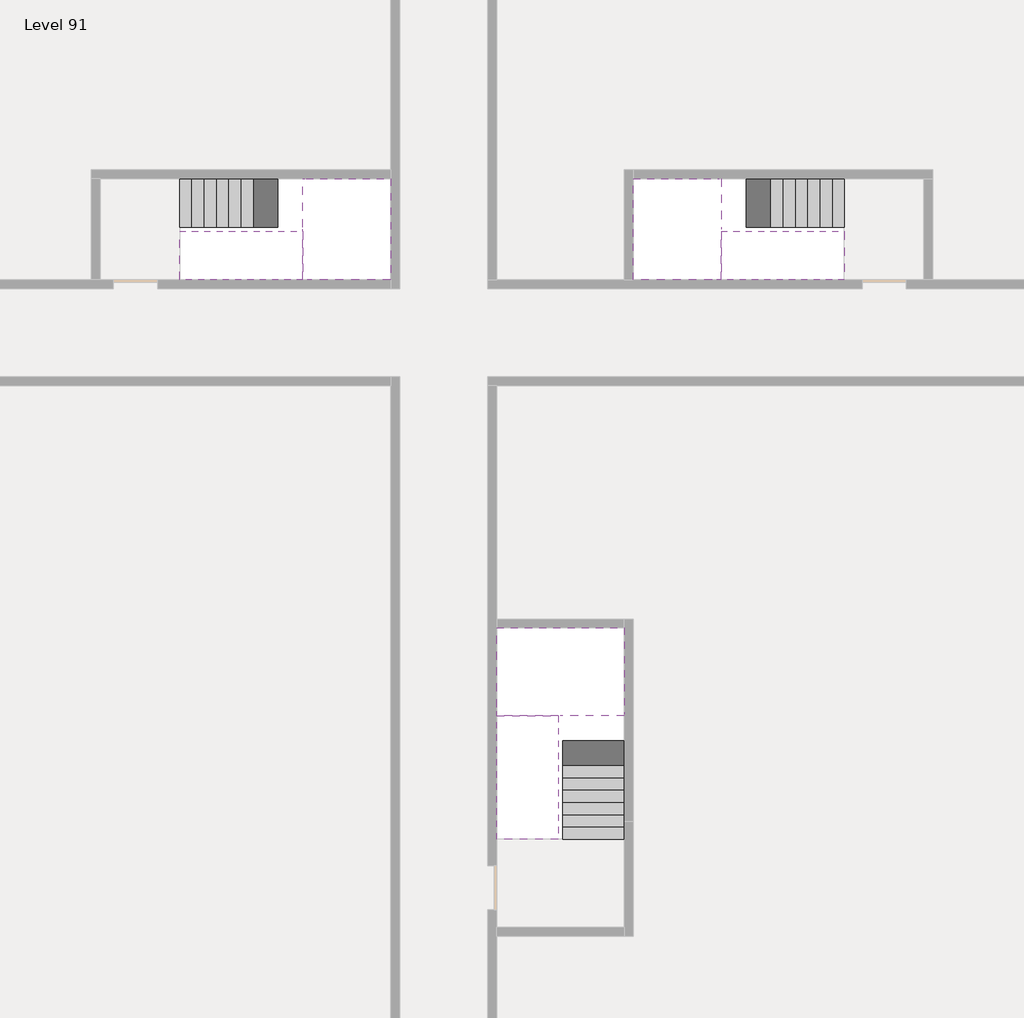
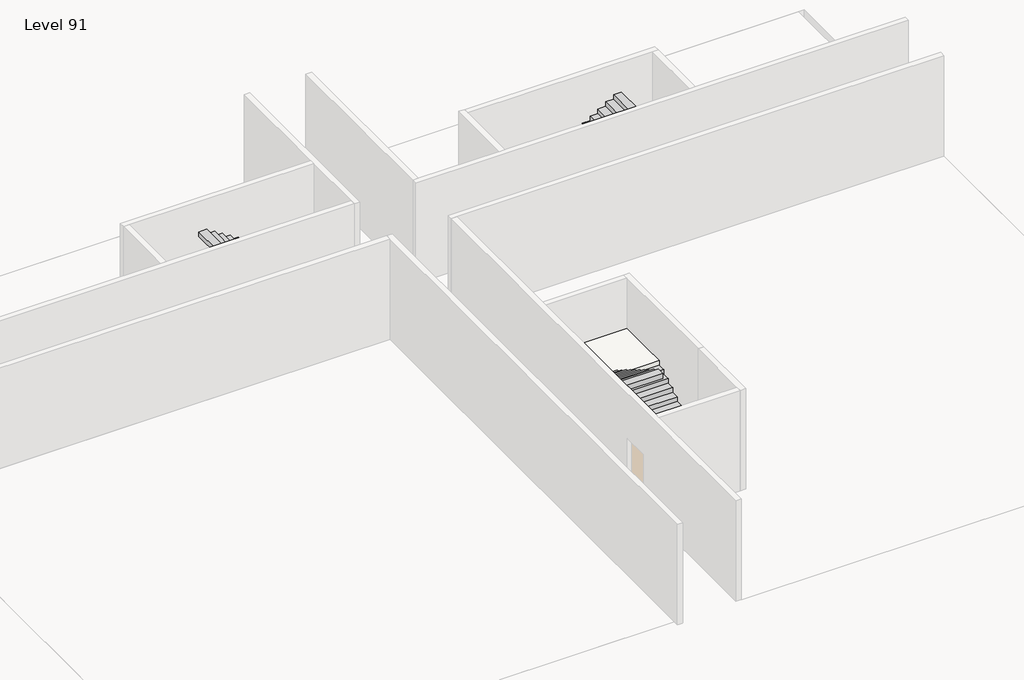
# One storey, part 2 of 2: 6 stair flights, 3 slabs.
"""IFC4 building model written with IfcOpenShell, lengths in millimetres."""

from ifc_helpers import new_model, si_unit, origin, place, context, project, spatial, faceted_brep, element, save

model = new_model("IFC4")

# Units and contexts
model_context = context("Model", 3, world=origin())
ifc_project = project(units=[si_unit("LENGTHUNIT", "METRE", prefix="MILLI")], contexts=[model_context])

# Site, building, storey
site = spatial("IfcSite", under=ifc_project)
building = spatial("IfcBuilding", under=site)
storey = spatial("IfcBuildingStorey", under=building, Name="Level 91", Elevation=342000.0)

# Slabs
placement = place(None, origin())
element("IfcSlab", 1, at=placement, inside=storey, context=model_context, shape_type="Brep", body=[
    faceted_brep([(26890.1058784, -40418.09644, 343900.0), (28290.1058784, -40418.09644, 343900.0), (28290.1058784, -40338.7100038, 343900.0), (28290.1058784, -38418.09644, 343900.0), (25390.1058784, -38418.09644, 343900.0), (25390.1058784, -40217.4828763, 343900.0), (25390.1058784, -40418.09644, 343900.0), (26790.1058784, -40418.09644, 343900.0), (26890.1058784, -40418.09644, 343600.0), (26890.1058784, -40418.09644, 343551.0278478), (28290.1058784, -40418.09644, 343551.0278478), (28290.1058784, -40418.09644, 343727.2727273), (28290.1058784, -40338.7100038, 343600.0), (28290.1058784, -38418.09644, 343600.0), (25390.1058784, -38418.09644, 343600.0), (25390.1058784, -40217.4828763, 343600.0), (25390.1058784, -40418.09644, 343723.7551205), (26790.1058784, -40418.09644, 343723.7551205), (26790.1058784, -40418.09644, 343600.0), (26790.1058784, -40217.4828763, 343600.0), (26890.1058784, -40338.7100038, 343600.0)], [[[0, 1, 2, 3, 4, 5, 6, 7]], [[1, 0, 8, 9, 10, 11]], [[1, 11, 10, 12, 13, 3, 2]], [[4, 3, 13, 14]], [[4, 14, 15, 16, 6, 5]], [[7, 6, 16, 17]], [[0, 7, 17, 18, 8]], [[18, 19, 15, 14, 13, 12, 20, 8]], [[19, 18, 17]], [[20, 12, 10, 9]], [[8, 20, 9]], [[15, 19, 17, 16]]]),
])
element("IfcSlab", 2, at=placement, inside=storey, context=model_context, shape_type="Brep", body=[
    faceted_brep([(20990.1058784, -28218.09644, 343900.0), (20990.1058784, -29318.09644, 343900.0), (20990.1058784, -29418.09644, 343900.0), (20990.1058784, -30518.09644, 343900.0), (21190.7194421, -30518.09644, 343900.0), (22990.1058784, -30518.09644, 343900.0), (22990.1058784, -28218.09644, 343900.0), (21069.4923146, -28218.09644, 343900.0), (20990.1058784, -28218.09644, 343727.2727273), (20990.1058784, -28218.09644, 343551.0278478), (20990.1058784, -29318.09644, 343551.0278478), (20990.1058784, -29318.09644, 343600.0), (20990.1058784, -29418.09644, 343600.0), (20990.1058784, -29418.09644, 343723.7551205), (20990.1058784, -30518.09644, 343723.7551205), (21190.7194421, -30518.09644, 343600.0), (22990.1058784, -30518.09644, 343600.0), (22990.1058784, -28218.09644, 343600.0), (21069.4923146, -28218.09644, 343600.0), (21190.7194421, -29418.09644, 343600.0), (21069.4923146, -29318.09644, 343600.0)], [[[0, 1, 2, 3, 4, 5, 6, 7]], [[1, 0, 8, 9, 10, 11]], [[2, 1, 11, 12, 13]], [[3, 2, 13, 14]], [[3, 14, 15, 16, 5, 4]], [[6, 5, 16, 17]], [[9, 8, 0, 7, 6, 17, 18]], [[19, 12, 11, 20, 18, 17, 16, 15]], [[12, 19, 13]], [[18, 20, 10, 9]], [[20, 11, 10]], [[19, 15, 14, 13]]]),
])
element("IfcSlab", 3, at=placement, inside=storey, context=model_context, shape_type="Brep", body=[
    faceted_brep([(30490.1058784, -29318.09644, 343900.0), (30490.1058784, -28218.09644, 343900.0), (30410.7194421, -28218.09644, 343900.0), (28490.1058784, -28218.09644, 343900.0), (28490.1058784, -30518.09644, 343900.0), (30289.4923146, -30518.09644, 343900.0), (30490.1058784, -30518.09644, 343900.0), (30490.1058784, -29418.09644, 343900.0), (30490.1058784, -29318.09644, 343600.0), (30490.1058784, -29318.09644, 343551.0278478), (30490.1058784, -28218.09644, 343551.0278478), (30490.1058784, -28218.09644, 343727.2727273), (30490.1058784, -29418.09644, 343723.7551205), (30490.1058784, -29418.09644, 343600.0), (30490.1058784, -30518.09644, 343723.7551205), (28490.1058784, -30518.09644, 343600.0), (30289.4923146, -30518.09644, 343600.0), (28490.1058784, -28218.09644, 343600.0), (30410.7194421, -28218.09644, 343600.0), (30289.4923146, -29418.09644, 343600.0), (30410.7194421, -29318.09644, 343600.0)], [[[0, 1, 2, 3, 4, 5, 6, 7]], [[1, 0, 8, 9, 10, 11]], [[0, 7, 12, 13, 8]], [[7, 6, 14, 12]], [[4, 15, 16, 14, 6, 5]], [[4, 3, 17, 15]], [[1, 11, 10, 18, 17, 3, 2]], [[13, 19, 16, 15, 17, 18, 20, 8]], [[20, 18, 10, 9]], [[8, 20, 9]], [[16, 19, 12, 14]], [[19, 13, 12]]]),
])

# Stair flights
element("IfcStairFlight", 4, at=placement, inside=storey, context=model_context, shape_type="Brep", body=[
    faceted_brep([(26890.1058784, -42938.09644, 342172.7272727), (26890.1058784, -43218.09644, 342172.7272727), (28290.1058784, -43218.09644, 342172.7272727), (28290.1058784, -42938.09644, 342172.7272727), (26890.1058784, -42938.09644, 342000.0), (26890.1058784, -43218.09644, 342000.0), (28290.1058784, -43218.09644, 342000.0), (28290.1058784, -42938.09644, 342000.0), (26890.1058784, -42658.09644, 342345.4545455), (26890.1058784, -42938.09644, 342345.4545455), (28290.1058784, -42938.09644, 342345.4545455), (28290.1058784, -42658.09644, 342345.4545455), (26890.1058784, -42658.09644, 342169.209666), (26890.1058784, -42932.3942143, 342000.0), (28290.1058784, -42932.3942143, 342000.0), (28290.1058784, -42658.09644, 342169.209666), (26890.1058784, -42378.09644, 342518.1818182), (26890.1058784, -42658.09644, 342518.1818182), (28290.1058784, -42658.09644, 342518.1818182), (28290.1058784, -42378.09644, 342518.1818182), (26890.1058784, -42378.09644, 342341.9369387), (28290.1058784, -42378.09644, 342341.9369387), (26890.1058784, -42098.09644, 342690.9090909), (26890.1058784, -42378.09644, 342690.9090909), (28290.1058784, -42378.09644, 342690.9090909), (28290.1058784, -42098.09644, 342690.9090909), (26890.1058784, -42098.09644, 342514.6642114), (28290.1058784, -42098.09644, 342514.6642114), (26890.1058784, -41818.09644, 342863.6363636), (26890.1058784, -42098.09644, 342863.6363636), (28290.1058784, -42098.09644, 342863.6363636), (28290.1058784, -41818.09644, 342863.6363636), (26890.1058784, -41818.09644, 342687.3914841), (28290.1058784, -41818.09644, 342687.3914841), (26890.1058784, -41538.09644, 343036.3636364), (26890.1058784, -41818.09644, 343036.3636364), (28290.1058784, -41818.09644, 343036.3636364), (28290.1058784, -41538.09644, 343036.3636364), (26890.1058784, -41538.09644, 342860.1187569), (28290.1058784, -41538.09644, 342860.1187569), (26890.1058784, -41258.09644, 343209.0909091), (26890.1058784, -41538.09644, 343209.0909091), (28290.1058784, -41538.09644, 343209.0909091), (28290.1058784, -41258.09644, 343209.0909091), (26890.1058784, -41258.09644, 343032.8460296), (28290.1058784, -41258.09644, 343032.8460296), (26890.1058784, -40978.09644, 343381.8181818), (26890.1058784, -41258.09644, 343381.8181818), (28290.1058784, -41258.09644, 343381.8181818), (28290.1058784, -40978.09644, 343381.8181818), (26890.1058784, -40978.09644, 343205.5733023), (28290.1058784, -40978.09644, 343205.5733023), (26890.1058784, -40698.09644, 343554.5454545), (26890.1058784, -40978.09644, 343554.5454545), (28290.1058784, -40978.09644, 343554.5454545), (28290.1058784, -40698.09644, 343554.5454545), (26890.1058784, -40698.09644, 343378.3005751), (28290.1058784, -40698.09644, 343378.3005751), (26890.1058784, -40418.09644, 343727.2727273), (26890.1058784, -40698.09644, 343727.2727273), (28290.1058784, -40698.09644, 343727.2727273), (28290.1058784, -40418.09644, 343727.2727273), (26890.1058784, -40418.09644, 343600.0), (26890.1058784, -40418.09644, 343551.0278478), (28290.1058784, -40418.09644, 343551.0278478)], [[[0, 1, 2, 3]], [[1, 0, 4, 5]], [[2, 1, 5, 6]], [[3, 2, 6, 7]], [[8, 9, 10, 11]], [[4, 0, 9, 8, 12, 13]], [[0, 3, 10, 9]], [[3, 7, 14, 15, 11, 10]], [[16, 17, 18, 19]], [[17, 16, 20, 12, 8]], [[8, 11, 18, 17]], [[19, 18, 11, 15, 21]], [[22, 23, 24, 25]], [[23, 22, 26, 20, 16]], [[16, 19, 24, 23]], [[25, 24, 19, 21, 27]], [[28, 29, 30, 31]], [[29, 28, 32, 26, 22]], [[22, 25, 30, 29]], [[31, 30, 25, 27, 33]], [[34, 35, 36, 37]], [[35, 34, 38, 32, 28]], [[28, 31, 36, 35]], [[37, 36, 31, 33, 39]], [[40, 41, 42, 43]], [[41, 40, 44, 38, 34]], [[34, 37, 42, 41]], [[43, 42, 37, 39, 45]], [[46, 47, 48, 49]], [[47, 46, 50, 44, 40]], [[40, 43, 48, 47]], [[49, 48, 43, 45, 51]], [[52, 53, 54, 55]], [[53, 52, 56, 50, 46]], [[46, 49, 54, 53]], [[55, 54, 49, 51, 57]], [[58, 59, 60, 61]], [[59, 58, 62, 63, 56, 52]], [[52, 55, 60, 59]], [[61, 60, 55, 57, 64]], [[58, 61, 64, 63, 62]], [[5, 4, 13, 14, 7, 6]], [[14, 13, 12, 20, 26, 32, 38, 44, 50, 56, 63, 64, 57, 51, 45, 39, 33, 27, 21, 15]]]),
])
element("IfcStairFlight", 5, at=placement, inside=storey, context=model_context, shape_type="Brep", body=[
    faceted_brep([(26790.1058784, -40698.09644, 344072.7272727), (26790.1058784, -40418.09644, 344072.7272727), (25390.1058784, -40418.09644, 344072.7272727), (25390.1058784, -40698.09644, 344072.7272727), (26790.1058784, -40698.09644, 343896.4823932), (26790.1058784, -40418.09644, 343723.7551205), (25390.1058784, -40418.09644, 343723.7551205), (25390.1058784, -40418.09644, 343900.0), (25390.1058784, -40698.09644, 343896.4823932), (26790.1058784, -40978.09644, 344245.4545455), (26790.1058784, -40698.09644, 344245.4545455), (25390.1058784, -40698.09644, 344245.4545455), (25390.1058784, -40978.09644, 344245.4545455), (26790.1058784, -40978.09644, 344069.209666), (25390.1058784, -40978.09644, 344069.209666), (26790.1058784, -41258.09644, 344418.1818182), (26790.1058784, -40978.09644, 344418.1818182), (25390.1058784, -40978.09644, 344418.1818182), (25390.1058784, -41258.09644, 344418.1818182), (26790.1058784, -41258.09644, 344241.9369387), (25390.1058784, -41258.09644, 344241.9369387), (26790.1058784, -41538.09644, 344590.9090909), (26790.1058784, -41258.09644, 344590.9090909), (25390.1058784, -41258.09644, 344590.9090909), (25390.1058784, -41538.09644, 344590.9090909), (26790.1058784, -41538.09644, 344414.6642114), (25390.1058784, -41538.09644, 344414.6642114), (26790.1058784, -41818.09644, 344763.6363636), (26790.1058784, -41538.09644, 344763.6363636), (25390.1058784, -41538.09644, 344763.6363636), (25390.1058784, -41818.09644, 344763.6363636), (26790.1058784, -41818.09644, 344587.3914841), (25390.1058784, -41818.09644, 344587.3914841), (26790.1058784, -42098.09644, 344936.3636364), (26790.1058784, -41818.09644, 344936.3636364), (25390.1058784, -41818.09644, 344936.3636364), (25390.1058784, -42098.09644, 344936.3636364), (26790.1058784, -42098.09644, 344760.1187569), (25390.1058784, -42098.09644, 344760.1187569), (26790.1058784, -42378.09644, 345109.0909091), (26790.1058784, -42098.09644, 345109.0909091), (25390.1058784, -42098.09644, 345109.0909091), (25390.1058784, -42378.09644, 345109.0909091), (26790.1058784, -42378.09644, 344932.8460296), (25390.1058784, -42378.09644, 344932.8460296), (26790.1058784, -42658.09644, 345281.8181818), (26790.1058784, -42378.09644, 345281.8181818), (25390.1058784, -42378.09644, 345281.8181818), (25390.1058784, -42658.09644, 345281.8181818), (26790.1058784, -42658.09644, 345105.5733023), (25390.1058784, -42658.09644, 345105.5733023), (26790.1058784, -42938.09644, 345454.5454545), (26790.1058784, -42658.09644, 345454.5454545), (25390.1058784, -42658.09644, 345454.5454545), (25390.1058784, -42938.09644, 345454.5454545), (26790.1058784, -42938.09644, 345278.3005751), (25390.1058784, -42938.09644, 345278.3005751), (26790.1058784, -43218.09644, 345627.2727273), (26790.1058784, -42938.09644, 345627.2727273), (25390.1058784, -42938.09644, 345627.2727273), (25390.1058784, -43218.09644, 345627.2727273), (26790.1058784, -43218.09644, 345451.0278478), (25390.1058784, -43218.09644, 345451.0278478)], [[[0, 1, 2, 3]], [[1, 0, 4, 5]], [[2, 1, 5, 6, 7]], [[3, 2, 7, 6, 8]], [[9, 10, 11, 12]], [[10, 9, 13, 4, 0]], [[11, 10, 0, 3]], [[12, 11, 3, 8, 14]], [[15, 16, 17, 18]], [[16, 15, 19, 13, 9]], [[17, 16, 9, 12]], [[18, 17, 12, 14, 20]], [[21, 22, 23, 24]], [[22, 21, 25, 19, 15]], [[23, 22, 15, 18]], [[24, 23, 18, 20, 26]], [[27, 28, 29, 30]], [[28, 27, 31, 25, 21]], [[29, 28, 21, 24]], [[30, 29, 24, 26, 32]], [[33, 34, 35, 36]], [[34, 33, 37, 31, 27]], [[35, 34, 27, 30]], [[36, 35, 30, 32, 38]], [[39, 40, 41, 42]], [[40, 39, 43, 37, 33]], [[41, 40, 33, 36]], [[42, 41, 36, 38, 44]], [[45, 46, 47, 48]], [[46, 45, 49, 43, 39]], [[47, 46, 39, 42]], [[48, 47, 42, 44, 50]], [[51, 52, 53, 54]], [[52, 51, 55, 49, 45]], [[53, 52, 45, 48]], [[54, 53, 48, 50, 56]], [[57, 58, 59, 60]], [[58, 57, 61, 55, 51]], [[59, 58, 51, 54]], [[60, 59, 54, 56, 62]], [[57, 60, 62, 61]], [[5, 4, 13, 19, 25, 31, 37, 43, 49, 55, 61, 62, 56, 50, 44, 38, 32, 26, 20, 14, 8, 6]]]),
])
element("IfcStairFlight", 6, at=placement, inside=storey, context=model_context, shape_type="Brep", body=[
    faceted_brep([(18470.1058784, -28218.09644, 342172.7272727), (18190.1058784, -28218.09644, 342172.7272727), (18190.1058784, -29318.09644, 342172.7272727), (18470.1058784, -29318.09644, 342172.7272727), (18470.1058784, -28218.09644, 342000.0), (18190.1058784, -28218.09644, 342000.0), (18190.1058784, -29318.09644, 342000.0), (18470.1058784, -29318.09644, 342000.0), (18750.1058784, -28218.09644, 342345.4545455), (18470.1058784, -28218.09644, 342345.4545455), (18470.1058784, -29318.09644, 342345.4545455), (18750.1058784, -29318.09644, 342345.4545455), (18750.1058784, -28218.09644, 342169.209666), (18475.8081041, -28218.09644, 342000.0), (18475.8081041, -29318.09644, 342000.0), (18750.1058784, -29318.09644, 342169.209666), (19030.1058784, -28218.09644, 342518.1818182), (18750.1058784, -28218.09644, 342518.1818182), (18750.1058784, -29318.09644, 342518.1818182), (19030.1058784, -29318.09644, 342518.1818182), (19030.1058784, -28218.09644, 342341.9369387), (19030.1058784, -29318.09644, 342341.9369387), (19310.1058784, -28218.09644, 342690.9090909), (19030.1058784, -28218.09644, 342690.9090909), (19030.1058784, -29318.09644, 342690.9090909), (19310.1058784, -29318.09644, 342690.9090909), (19310.1058784, -28218.09644, 342514.6642114), (19310.1058784, -29318.09644, 342514.6642114), (19590.1058784, -28218.09644, 342863.6363636), (19310.1058784, -28218.09644, 342863.6363636), (19310.1058784, -29318.09644, 342863.6363636), (19590.1058784, -29318.09644, 342863.6363636), (19590.1058784, -28218.09644, 342687.3914841), (19590.1058784, -29318.09644, 342687.3914841), (19870.1058784, -28218.09644, 343036.3636364), (19590.1058784, -28218.09644, 343036.3636364), (19590.1058784, -29318.09644, 343036.3636364), (19870.1058784, -29318.09644, 343036.3636364), (19870.1058784, -28218.09644, 342860.1187569), (19870.1058784, -29318.09644, 342860.1187569), (20150.1058784, -28218.09644, 343209.0909091), (19870.1058784, -28218.09644, 343209.0909091), (19870.1058784, -29318.09644, 343209.0909091), (20150.1058784, -29318.09644, 343209.0909091), (20150.1058784, -28218.09644, 343032.8460296), (20150.1058784, -29318.09644, 343032.8460296), (20430.1058784, -28218.09644, 343381.8181818), (20150.1058784, -28218.09644, 343381.8181818), (20150.1058784, -29318.09644, 343381.8181818), (20430.1058784, -29318.09644, 343381.8181818), (20430.1058784, -28218.09644, 343205.5733023), (20430.1058784, -29318.09644, 343205.5733023), (20710.1058784, -28218.09644, 343554.5454545), (20430.1058784, -28218.09644, 343554.5454545), (20430.1058784, -29318.09644, 343554.5454545), (20710.1058784, -29318.09644, 343554.5454545), (20710.1058784, -28218.09644, 343378.3005751), (20710.1058784, -29318.09644, 343378.3005751), (20990.1058784, -28218.09644, 343727.2727273), (20710.1058784, -28218.09644, 343727.2727273), (20710.1058784, -29318.09644, 343727.2727273), (20990.1058784, -29318.09644, 343727.2727273), (20990.1058784, -28218.09644, 343551.0278478), (20990.1058784, -29318.09644, 343551.0278478), (20990.1058784, -29318.09644, 343600.0)], [[[0, 1, 2, 3]], [[1, 0, 4, 5]], [[2, 1, 5, 6]], [[3, 2, 6, 7]], [[8, 9, 10, 11]], [[4, 0, 9, 8, 12, 13]], [[0, 3, 10, 9]], [[3, 7, 14, 15, 11, 10]], [[16, 17, 18, 19]], [[17, 16, 20, 12, 8]], [[8, 11, 18, 17]], [[19, 18, 11, 15, 21]], [[22, 23, 24, 25]], [[23, 22, 26, 20, 16]], [[16, 19, 24, 23]], [[25, 24, 19, 21, 27]], [[28, 29, 30, 31]], [[29, 28, 32, 26, 22]], [[22, 25, 30, 29]], [[31, 30, 25, 27, 33]], [[34, 35, 36, 37]], [[35, 34, 38, 32, 28]], [[28, 31, 36, 35]], [[37, 36, 31, 33, 39]], [[40, 41, 42, 43]], [[41, 40, 44, 38, 34]], [[34, 37, 42, 41]], [[43, 42, 37, 39, 45]], [[46, 47, 48, 49]], [[47, 46, 50, 44, 40]], [[40, 43, 48, 47]], [[49, 48, 43, 45, 51]], [[52, 53, 54, 55]], [[53, 52, 56, 50, 46]], [[46, 49, 54, 53]], [[55, 54, 49, 51, 57]], [[58, 59, 60, 61]], [[59, 58, 62, 56, 52]], [[52, 55, 60, 59]], [[61, 60, 55, 57, 63, 64]], [[58, 61, 64, 63, 62]], [[5, 4, 13, 14, 7, 6]], [[14, 13, 12, 20, 26, 32, 38, 44, 50, 56, 62, 63, 57, 51, 45, 39, 33, 27, 21, 15]]]),
])
element("IfcStairFlight", 7, at=placement, inside=storey, context=model_context, shape_type="Brep", body=[
    faceted_brep([(20710.1058784, -30518.09644, 344072.7272727), (20990.1058784, -30518.09644, 344072.7272727), (20990.1058784, -29418.09644, 344072.7272727), (20710.1058784, -29418.09644, 344072.7272727), (20710.1058784, -30518.09644, 343896.4823932), (20990.1058784, -30518.09644, 343723.7551205), (20990.1058784, -30518.09644, 343900.0), (20990.1058784, -29418.09644, 343723.7551205), (20710.1058784, -29418.09644, 343896.4823932), (20430.1058784, -30518.09644, 344245.4545455), (20710.1058784, -30518.09644, 344245.4545455), (20710.1058784, -29418.09644, 344245.4545455), (20430.1058784, -29418.09644, 344245.4545455), (20430.1058784, -30518.09644, 344069.209666), (20430.1058784, -29418.09644, 344069.209666), (20150.1058784, -30518.09644, 344418.1818182), (20430.1058784, -30518.09644, 344418.1818182), (20430.1058784, -29418.09644, 344418.1818182), (20150.1058784, -29418.09644, 344418.1818182), (20150.1058784, -30518.09644, 344241.9369387), (20150.1058784, -29418.09644, 344241.9369387), (19870.1058784, -30518.09644, 344590.9090909), (20150.1058784, -30518.09644, 344590.9090909), (20150.1058784, -29418.09644, 344590.9090909), (19870.1058784, -29418.09644, 344590.9090909), (19870.1058784, -30518.09644, 344414.6642114), (19870.1058784, -29418.09644, 344414.6642114), (19590.1058784, -30518.09644, 344763.6363636), (19870.1058784, -30518.09644, 344763.6363636), (19870.1058784, -29418.09644, 344763.6363636), (19590.1058784, -29418.09644, 344763.6363636), (19590.1058784, -30518.09644, 344587.3914841), (19590.1058784, -29418.09644, 344587.3914841), (19310.1058784, -30518.09644, 344936.3636364), (19590.1058784, -30518.09644, 344936.3636364), (19590.1058784, -29418.09644, 344936.3636364), (19310.1058784, -29418.09644, 344936.3636364), (19310.1058784, -30518.09644, 344760.1187569), (19310.1058784, -29418.09644, 344760.1187569), (19030.1058784, -30518.09644, 345109.0909091), (19310.1058784, -30518.09644, 345109.0909091), (19310.1058784, -29418.09644, 345109.0909091), (19030.1058784, -29418.09644, 345109.0909091), (19030.1058784, -30518.09644, 344932.8460296), (19030.1058784, -29418.09644, 344932.8460296), (18750.1058784, -30518.09644, 345281.8181818), (19030.1058784, -30518.09644, 345281.8181818), (19030.1058784, -29418.09644, 345281.8181818), (18750.1058784, -29418.09644, 345281.8181818), (18750.1058784, -30518.09644, 345105.5733023), (18750.1058784, -29418.09644, 345105.5733023), (18470.1058784, -30518.09644, 345454.5454545), (18750.1058784, -30518.09644, 345454.5454545), (18750.1058784, -29418.09644, 345454.5454545), (18470.1058784, -29418.09644, 345454.5454545), (18470.1058784, -30518.09644, 345278.3005751), (18470.1058784, -29418.09644, 345278.3005751), (18190.1058784, -30518.09644, 345627.2727273), (18470.1058784, -30518.09644, 345627.2727273), (18470.1058784, -29418.09644, 345627.2727273), (18190.1058784, -29418.09644, 345627.2727273), (18190.1058784, -30518.09644, 345451.0278478), (18190.1058784, -29418.09644, 345451.0278478)], [[[0, 1, 2, 3]], [[1, 0, 4, 5, 6]], [[2, 1, 6, 5, 7]], [[3, 2, 7, 8]], [[9, 10, 11, 12]], [[10, 9, 13, 4, 0]], [[11, 10, 0, 3]], [[12, 11, 3, 8, 14]], [[15, 16, 17, 18]], [[16, 15, 19, 13, 9]], [[17, 16, 9, 12]], [[18, 17, 12, 14, 20]], [[21, 22, 23, 24]], [[22, 21, 25, 19, 15]], [[23, 22, 15, 18]], [[24, 23, 18, 20, 26]], [[27, 28, 29, 30]], [[28, 27, 31, 25, 21]], [[29, 28, 21, 24]], [[30, 29, 24, 26, 32]], [[33, 34, 35, 36]], [[34, 33, 37, 31, 27]], [[35, 34, 27, 30]], [[36, 35, 30, 32, 38]], [[39, 40, 41, 42]], [[40, 39, 43, 37, 33]], [[41, 40, 33, 36]], [[42, 41, 36, 38, 44]], [[45, 46, 47, 48]], [[46, 45, 49, 43, 39]], [[47, 46, 39, 42]], [[48, 47, 42, 44, 50]], [[51, 52, 53, 54]], [[52, 51, 55, 49, 45]], [[53, 52, 45, 48]], [[54, 53, 48, 50, 56]], [[57, 58, 59, 60]], [[58, 57, 61, 55, 51]], [[59, 58, 51, 54]], [[60, 59, 54, 56, 62]], [[57, 60, 62, 61]], [[5, 4, 13, 19, 25, 31, 37, 43, 49, 55, 61, 62, 56, 50, 44, 38, 32, 26, 20, 14, 8, 7]]]),
])
element("IfcStairFlight", 8, at=placement, inside=storey, context=model_context, shape_type="Brep", body=[
    faceted_brep([(33010.1058784, -29318.09644, 342172.7272727), (33290.1058784, -29318.09644, 342172.7272727), (33290.1058784, -28218.09644, 342172.7272727), (33010.1058784, -28218.09644, 342172.7272727), (33290.1058784, -28218.09644, 342000.0), (33010.1058784, -28218.09644, 342000.0), (33290.1058784, -29318.09644, 342000.0), (33010.1058784, -29318.09644, 342000.0), (32730.1058784, -29318.09644, 342345.4545455), (33010.1058784, -29318.09644, 342345.4545455), (33010.1058784, -28218.09644, 342345.4545455), (32730.1058784, -28218.09644, 342345.4545455), (33004.4036527, -28218.09644, 342000.0), (32730.1058784, -28218.09644, 342169.209666), (32730.1058784, -29318.09644, 342169.209666), (33004.4036527, -29318.09644, 342000.0), (32450.1058784, -29318.09644, 342518.1818182), (32730.1058784, -29318.09644, 342518.1818182), (32730.1058784, -28218.09644, 342518.1818182), (32450.1058784, -28218.09644, 342518.1818182), (32450.1058784, -28218.09644, 342341.9369387), (32450.1058784, -29318.09644, 342341.9369387), (32170.1058784, -29318.09644, 342690.9090909), (32450.1058784, -29318.09644, 342690.9090909), (32450.1058784, -28218.09644, 342690.9090909), (32170.1058784, -28218.09644, 342690.9090909), (32170.1058784, -28218.09644, 342514.6642114), (32170.1058784, -29318.09644, 342514.6642114), (31890.1058784, -29318.09644, 342863.6363636), (32170.1058784, -29318.09644, 342863.6363636), (32170.1058784, -28218.09644, 342863.6363636), (31890.1058784, -28218.09644, 342863.6363636), (31890.1058784, -28218.09644, 342687.3914841), (31890.1058784, -29318.09644, 342687.3914841), (31610.1058784, -29318.09644, 343036.3636364), (31890.1058784, -29318.09644, 343036.3636364), (31890.1058784, -28218.09644, 343036.3636364), (31610.1058784, -28218.09644, 343036.3636364), (31610.1058784, -28218.09644, 342860.1187569), (31610.1058784, -29318.09644, 342860.1187569), (31330.1058784, -29318.09644, 343209.0909091), (31610.1058784, -29318.09644, 343209.0909091), (31610.1058784, -28218.09644, 343209.0909091), (31330.1058784, -28218.09644, 343209.0909091), (31330.1058784, -28218.09644, 343032.8460296), (31330.1058784, -29318.09644, 343032.8460296), (31050.1058784, -29318.09644, 343381.8181818), (31330.1058784, -29318.09644, 343381.8181818), (31330.1058784, -28218.09644, 343381.8181818), (31050.1058784, -28218.09644, 343381.8181818), (31050.1058784, -28218.09644, 343205.5733023), (31050.1058784, -29318.09644, 343205.5733023), (30770.1058784, -29318.09644, 343554.5454545), (31050.1058784, -29318.09644, 343554.5454545), (31050.1058784, -28218.09644, 343554.5454545), (30770.1058784, -28218.09644, 343554.5454545), (30770.1058784, -28218.09644, 343378.3005751), (30770.1058784, -29318.09644, 343378.3005751), (30490.1058784, -29318.09644, 343727.2727273), (30770.1058784, -29318.09644, 343727.2727273), (30770.1058784, -28218.09644, 343727.2727273), (30490.1058784, -28218.09644, 343727.2727273), (30490.1058784, -28218.09644, 343551.0278478), (30490.1058784, -29318.09644, 343600.0), (30490.1058784, -29318.09644, 343551.0278478)], [[[0, 1, 2, 3]], [[3, 2, 4, 5]], [[2, 1, 6, 4]], [[1, 0, 7, 6]], [[8, 9, 10, 11]], [[3, 5, 12, 13, 11, 10]], [[0, 3, 10, 9]], [[7, 0, 9, 8, 14, 15]], [[16, 17, 18, 19]], [[19, 18, 11, 13, 20]], [[8, 11, 18, 17]], [[17, 16, 21, 14, 8]], [[22, 23, 24, 25]], [[25, 24, 19, 20, 26]], [[16, 19, 24, 23]], [[23, 22, 27, 21, 16]], [[28, 29, 30, 31]], [[31, 30, 25, 26, 32]], [[22, 25, 30, 29]], [[29, 28, 33, 27, 22]], [[34, 35, 36, 37]], [[37, 36, 31, 32, 38]], [[28, 31, 36, 35]], [[35, 34, 39, 33, 28]], [[40, 41, 42, 43]], [[43, 42, 37, 38, 44]], [[34, 37, 42, 41]], [[41, 40, 45, 39, 34]], [[46, 47, 48, 49]], [[49, 48, 43, 44, 50]], [[40, 43, 48, 47]], [[47, 46, 51, 45, 40]], [[52, 53, 54, 55]], [[55, 54, 49, 50, 56]], [[46, 49, 54, 53]], [[53, 52, 57, 51, 46]], [[58, 59, 60, 61]], [[61, 60, 55, 56, 62]], [[52, 55, 60, 59]], [[59, 58, 63, 64, 57, 52]], [[58, 61, 62, 64, 63]], [[6, 7, 15, 12, 5, 4]], [[12, 15, 14, 21, 27, 33, 39, 45, 51, 57, 64, 62, 56, 50, 44, 38, 32, 26, 20, 13]]]),
])
element("IfcStairFlight", 9, at=placement, inside=storey, context=model_context, shape_type="Brep", body=[
    faceted_brep([(30770.1058784, -29418.09644, 344072.7272727), (30490.1058784, -29418.09644, 344072.7272727), (30490.1058784, -30518.09644, 344072.7272727), (30770.1058784, -30518.09644, 344072.7272727), (30490.1058784, -30518.09644, 343900.0), (30490.1058784, -30518.09644, 343723.7551205), (30770.1058784, -30518.09644, 343896.4823932), (30490.1058784, -29418.09644, 343723.7551205), (30770.1058784, -29418.09644, 343896.4823932), (31050.1058784, -29418.09644, 344245.4545455), (30770.1058784, -29418.09644, 344245.4545455), (30770.1058784, -30518.09644, 344245.4545455), (31050.1058784, -30518.09644, 344245.4545455), (31050.1058784, -30518.09644, 344069.209666), (31050.1058784, -29418.09644, 344069.209666), (31330.1058784, -29418.09644, 344418.1818182), (31050.1058784, -29418.09644, 344418.1818182), (31050.1058784, -30518.09644, 344418.1818182), (31330.1058784, -30518.09644, 344418.1818182), (31330.1058784, -30518.09644, 344241.9369387), (31330.1058784, -29418.09644, 344241.9369387), (31610.1058784, -29418.09644, 344590.9090909), (31330.1058784, -29418.09644, 344590.9090909), (31330.1058784, -30518.09644, 344590.9090909), (31610.1058784, -30518.09644, 344590.9090909), (31610.1058784, -30518.09644, 344414.6642114), (31610.1058784, -29418.09644, 344414.6642114), (31890.1058784, -29418.09644, 344763.6363636), (31610.1058784, -29418.09644, 344763.6363636), (31610.1058784, -30518.09644, 344763.6363636), (31890.1058784, -30518.09644, 344763.6363636), (31890.1058784, -30518.09644, 344587.3914841), (31890.1058784, -29418.09644, 344587.3914841), (32170.1058784, -29418.09644, 344936.3636364), (31890.1058784, -29418.09644, 344936.3636364), (31890.1058784, -30518.09644, 344936.3636364), (32170.1058784, -30518.09644, 344936.3636364), (32170.1058784, -30518.09644, 344760.1187569), (32170.1058784, -29418.09644, 344760.1187569), (32450.1058784, -29418.09644, 345109.0909091), (32170.1058784, -29418.09644, 345109.0909091), (32170.1058784, -30518.09644, 345109.0909091), (32450.1058784, -30518.09644, 345109.0909091), (32450.1058784, -30518.09644, 344932.8460296), (32450.1058784, -29418.09644, 344932.8460296), (32730.1058784, -29418.09644, 345281.8181818), (32450.1058784, -29418.09644, 345281.8181818), (32450.1058784, -30518.09644, 345281.8181818), (32730.1058784, -30518.09644, 345281.8181818), (32730.1058784, -30518.09644, 345105.5733023), (32730.1058784, -29418.09644, 345105.5733023), (33010.1058784, -29418.09644, 345454.5454545), (32730.1058784, -29418.09644, 345454.5454545), (32730.1058784, -30518.09644, 345454.5454545), (33010.1058784, -30518.09644, 345454.5454545), (33010.1058784, -30518.09644, 345278.3005751), (33010.1058784, -29418.09644, 345278.3005751), (33290.1058784, -29418.09644, 345627.2727273), (33010.1058784, -29418.09644, 345627.2727273), (33010.1058784, -30518.09644, 345627.2727273), (33290.1058784, -30518.09644, 345627.2727273), (33290.1058784, -30518.09644, 345451.0278478), (33290.1058784, -29418.09644, 345451.0278478)], [[[0, 1, 2, 3]], [[3, 2, 4, 5, 6]], [[2, 1, 7, 5, 4]], [[1, 0, 8, 7]], [[9, 10, 11, 12]], [[12, 11, 3, 6, 13]], [[11, 10, 0, 3]], [[10, 9, 14, 8, 0]], [[15, 16, 17, 18]], [[18, 17, 12, 13, 19]], [[17, 16, 9, 12]], [[16, 15, 20, 14, 9]], [[21, 22, 23, 24]], [[24, 23, 18, 19, 25]], [[23, 22, 15, 18]], [[22, 21, 26, 20, 15]], [[27, 28, 29, 30]], [[30, 29, 24, 25, 31]], [[29, 28, 21, 24]], [[28, 27, 32, 26, 21]], [[33, 34, 35, 36]], [[36, 35, 30, 31, 37]], [[35, 34, 27, 30]], [[34, 33, 38, 32, 27]], [[39, 40, 41, 42]], [[42, 41, 36, 37, 43]], [[41, 40, 33, 36]], [[40, 39, 44, 38, 33]], [[45, 46, 47, 48]], [[48, 47, 42, 43, 49]], [[47, 46, 39, 42]], [[46, 45, 50, 44, 39]], [[51, 52, 53, 54]], [[54, 53, 48, 49, 55]], [[53, 52, 45, 48]], [[52, 51, 56, 50, 45]], [[57, 58, 59, 60]], [[60, 59, 54, 55, 61]], [[59, 58, 51, 54]], [[58, 57, 62, 56, 51]], [[57, 60, 61, 62]], [[7, 8, 14, 20, 26, 32, 38, 44, 50, 56, 62, 61, 55, 49, 43, 37, 31, 25, 19, 13, 6, 5]]]),
])

save(model, "model.ifc")
